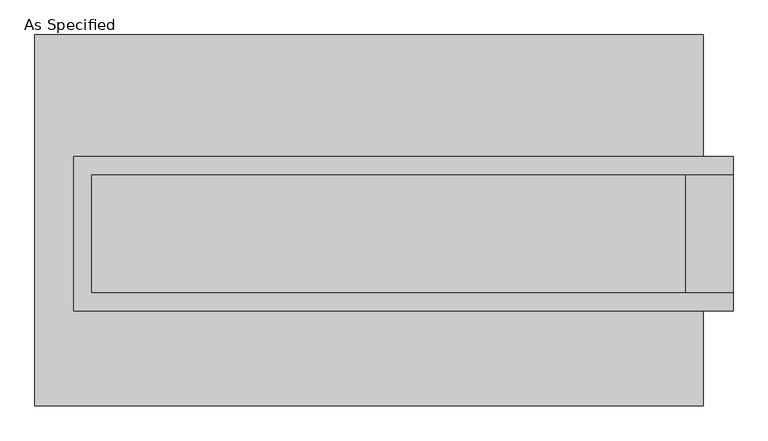
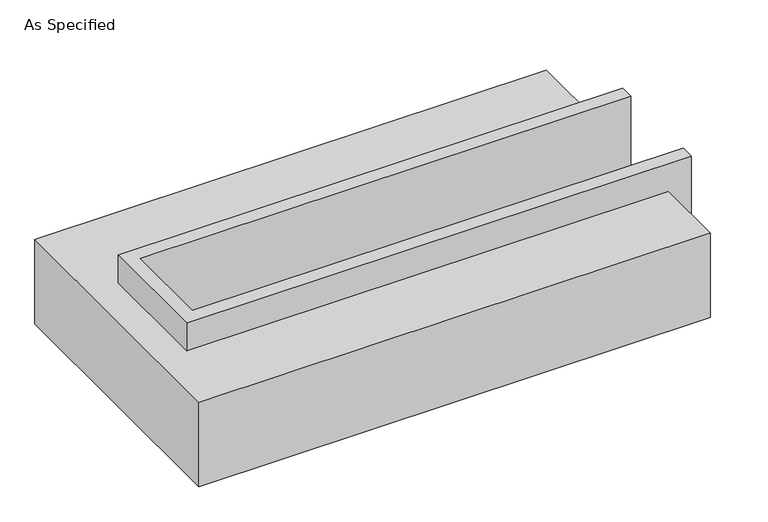
"""IFC4 building model written with IfcOpenShell, lengths in millimetres: proxy geometry, As Specified."""

from ifc_helpers import new_model, si_unit, origin, place, context, project, spatial, faceted_brep, source, transform, mapped, element, save


def as_specified_8ee2a68a(model_context):
    return source(origin(), model_context, "Body", "Brep", [
        faceted_brep([(-1263.65, 273.05, 139.7), (-1263.65, 273.05, -393.7), (-1263.65, 196.85, -393.7), (-1263.65, 196.85, -25.4), (-1263.65, -311.15, -25.4), (-1263.65, -311.15, -393.7), (-1263.65, -387.35, -393.7), (-1263.65, -387.35, 139.7), (1555.75, 196.85, 139.7), (1555.75, 196.85, -317.5), (1555.75, -311.15, -317.5), (1555.75, -311.15, 139.7), (1555.75, -387.35, 139.7), (1555.75, -387.35, -393.7), (1555.75, 273.05, -393.7), (1555.75, 273.05, 139.7), (-1187.45, -311.15, 139.7), (-1187.45, 196.85, 139.7), (1352.55, -311.15, -393.7), (1352.55, 196.85, -393.7), (1352.55, -311.15, -317.5), (-1187.45, -311.15, -25.4), (1352.55, 196.85, -317.5), (-1187.45, 196.85, -25.4)], [[[0, 1, 2, 3, 4, 5, 6, 7]], [[8, 9, 10, 11, 12, 13, 14, 15]], [[0, 7, 12, 11, 16, 17, 8, 15]], [[1, 0, 15, 14]], [[14, 13, 6, 5, 18, 19, 2, 1]], [[7, 6, 13, 12]], [[11, 10, 20, 18, 5, 4, 21, 16]], [[10, 9, 22, 20]], [[9, 8, 17, 23, 3, 2, 19, 22]], [[18, 20, 22, 19]], [[23, 21, 4, 3]], [[17, 16, 21, 23]]]),
        faceted_brep([(-1428.75, 793.75, -523.9742188), (1428.75, 793.75, -523.9742188), (1428.75, -793.75, -523.9742188), (-1428.75, -793.75, -523.9742188), (1428.75, 793.75, -25.4), (-1428.75, 793.75, -25.4), (-1428.75, -793.75, -25.4), (1428.75, -793.75, -25.4), (1428.75, -387.35, -25.4), (-1263.65, -387.35, -25.4), (-1263.65, 273.05, -25.4), (1428.75, 273.05, -25.4), (1428.75, 273.05, -393.7), (1428.75, -387.35, -393.7), (-1263.65, -387.35, -393.7), (-1263.65, 273.05, -393.7)], [[[0, 1, 2, 3]], [[4, 5, 6, 7, 8, 9, 10, 11]], [[1, 0, 5, 4]], [[5, 0, 3, 6]], [[1, 4, 11, 12, 13, 8, 7, 2]], [[3, 2, 7, 6]], [[14, 15, 10, 9]], [[10, 15, 12, 11]], [[15, 14, 13, 12]], [[14, 9, 8, 13]]]),
    ])


if __name__ == "__main__":
    model = new_model("IFC4")
    model_context = context("Model", 3, world=origin())
    ifc_project = project(units=[si_unit("LENGTHUNIT", "METRE", prefix="MILLI")], contexts=[model_context])
    site = spatial("IfcSite", under=ifc_project)
    building = spatial("IfcBuilding", under=site)
    placement = place(None, origin())
    as_specified_shape = as_specified_8ee2a68a(model_context)
    element("IfcBuildingElementProxy", 1, Name="As Specified", ObjectType="As Specified", at=placement, inside=building, context=model_context, shape_type="MappedRepresentation", body=[
        mapped(as_specified_shape, transform((0.0, 0.0, 0.0), x_axis=(1.0, 0.0, 0.0), y_axis=(0.0, 1.0, 0.0), z_axis=(0.0, 0.0, 1.0))),
    ])
    save(model, "model.ifc")
